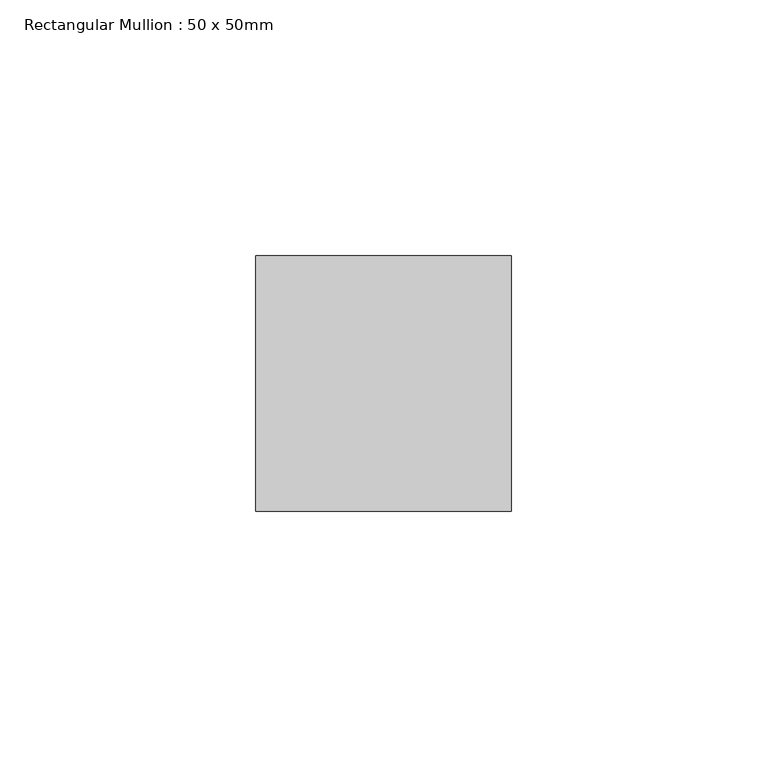
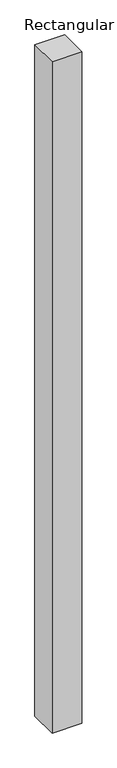
"""IFC4 building model written with IfcOpenShell, lengths in millimetres: member geometry, Rectangular Mullion : 50 x 50mm."""

from ifc_helpers import new_model, si_unit, frame, origin, place, context, project, spatial, polyline, outline, extrude, source, transform, mapped, element, save


def rectangular_mullion_50_x_50mm_14a865f3(model_context):
    return source(origin(), model_context, "Body", "SweptSolid", [
        extrude(outline(polyline([(0.0, 50.0), (0.0, 0.0), (-50.0, 0.0), (-50.0, 50.0), (0.0, 50.0)])), frame((0.0, 0.0, -1198.2), z_axis=(0.0, 0.0, 1.0), x_axis=(1.0, 0.0, 0.0)), (0.0, 0.0, 1.0), 1198.2),
    ])


if __name__ == "__main__":
    model = new_model("IFC4")
    model_context = context("Model", 3, world=origin())
    ifc_project = project(units=[si_unit("LENGTHUNIT", "METRE", prefix="MILLI")], contexts=[model_context])
    site = spatial("IfcSite", under=ifc_project)
    building = spatial("IfcBuilding", under=site)
    placement = place(None, origin())
    rectangular_mullion_50_x_50mm_shape = rectangular_mullion_50_x_50mm_14a865f3(model_context)
    element("IfcMember", 1, ObjectType="Rectangular Mullion : 50 x 50mm", at=placement, inside=building, context=model_context, shape_type="MappedRepresentation", body=[
        mapped(rectangular_mullion_50_x_50mm_shape, transform((0.0, 0.0, 0.0), x_axis=(1.0, 0.0, 0.0), y_axis=(0.0, 1.0, 0.0), z_axis=(0.0, 0.0, 1.0))),
    ])
    save(model, "model.ifc")
